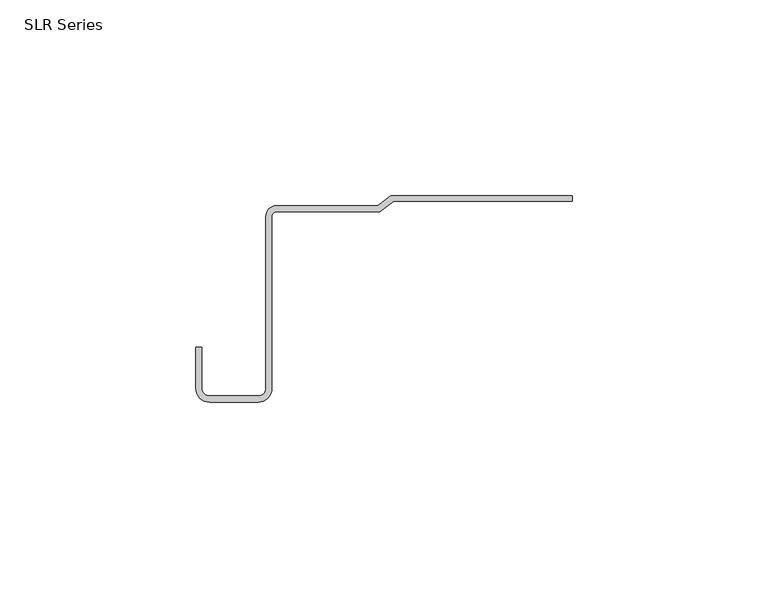
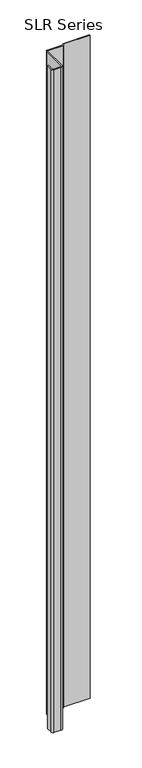
"""IFC4 building model written with IfcOpenShell, lengths in millimetres: plate geometry, SLR Series."""

from ifc_helpers import new_model, si_unit, point, frame_2d, origin, origin_with_axes, place, context, project, spatial, polyline, circle_curve, trimmed, segment, composite_curve, outline, extrude, source, transform, mapped, element, save


def slr_series_cb9446bd(model_context):
    return source(origin(), model_context, "Body", "SweptSolid", [
        extrude(outline(composite_curve([segment(polyline([(-4.9491331, -1.42875), (-8.5288387, -4.1135292), (-34.9483919, -4.1135292)]), True, "CONTINUOUS"), segment(trimmed(circle_curve(frame_2d((-34.9483919, -5.2258624)), 1.1123332), [point((-34.9483919, -4.1135292))], [point((-36.0607252, -5.2258624))], True, "CARTESIAN"), True, "CONTINUOUS"), segment(polyline([(-36.0607252, -5.2258624), (-36.0607252, -49.163617)]), True, "CONTINUOUS"), segment(trimmed(circle_curve(frame_2d((-39.5930856, -49.163617)), 3.5323605), [point((-36.0607252, -49.163617))], [point((-39.5930856, -52.6959775))], False, "CARTESIAN"), True, "CONTINUOUS"), segment(polyline([(-39.5930856, -52.6959775), (-51.9789356, -52.6959775)]), True, "CONTINUOUS"), segment(trimmed(circle_curve(frame_2d((-51.9789356, -49.163617)), 3.5323605), [point((-51.9789356, -52.6959775))], [point((-55.5112961, -49.163617))], False, "CARTESIAN"), True, "CONTINUOUS"), segment(polyline([(-55.5112961, -49.163617), (-55.5112961, -38.7571098), (-53.9582783, -38.7571098), (-53.9582783, -49.163617)]), True, "CONTINUOUS"), segment(trimmed(circle_curve(frame_2d((-51.9789356, -49.163617)), 1.9793427), [point((-53.9582783, -49.163617))], [point((-51.9789356, -51.1429598))], True, "CARTESIAN"), True, "CONTINUOUS"), segment(polyline([(-51.9789356, -51.1429598), (-39.5930856, -51.1429598)]), True, "CONTINUOUS"), segment(trimmed(circle_curve(frame_2d((-39.5930856, -49.163617)), 1.9793427), [point((-39.5930856, -51.1429598))], [point((-37.6137429, -49.163617))], True, "CARTESIAN"), True, "CONTINUOUS"), segment(polyline([(-37.6137429, -49.163617), (-37.6137429, -5.2506269)]), True, "CONTINUOUS"), segment(trimmed(circle_curve(frame_2d((-34.8884868, -5.2506269)), 2.7252562), [point((-37.6137429, -5.2506269))], [point((-34.9483919, -2.5260292))], False, "CARTESIAN"), True, "CONTINUOUS"), segment(polyline([(-34.9483919, -2.5260292), (-9.0580054, -2.5260292), (-5.6899665, 0.0), (40.6542607, 0.0), (40.6542607, -1.42875), (-4.9491331, -1.42875)]), True, "CONTINUOUS")], self_intersect=False)), origin_with_axes(), (0.0, 0.0, 1.0), 1228.3559792),
    ])


if __name__ == "__main__":
    model = new_model("IFC4")
    model_context = context("Model", 3, world=origin())
    ifc_project = project(units=[si_unit("LENGTHUNIT", "METRE", prefix="MILLI")], contexts=[model_context])
    site = spatial("IfcSite", under=ifc_project)
    building = spatial("IfcBuilding", under=site)
    placement = place(None, origin())
    slr_series_shape = slr_series_cb9446bd(model_context)
    element("IfcPlate", 1, ObjectType="SLR Series", at=placement, inside=building, context=model_context, shape_type="MappedRepresentation", body=[
        mapped(slr_series_shape, transform((0.0, 0.0, 0.0), x_axis=(1.0, 0.0, 0.0), y_axis=(0.0, 1.0, 0.0), z_axis=(0.0, 0.0, 1.0))),
    ])
    save(model, "model.ifc")
